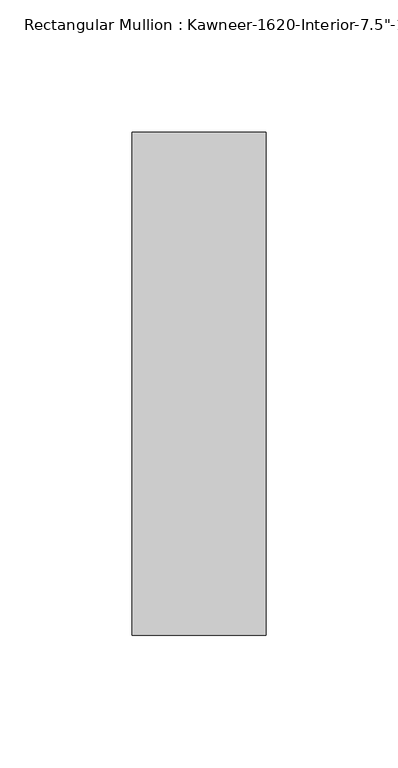
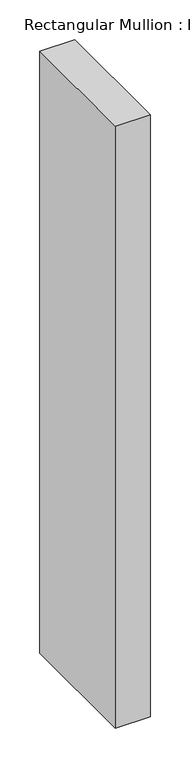
"""IFC4 building model written with IfcOpenShell, lengths in millimetres: member geometry."""

from ifc_helpers import new_model, si_unit, frame, origin, place, context, project, spatial, polyline, outline, extrude, source, transform, mapped, element, save


def member_d9ff0739(model_context):
    return source(origin(), model_context, "Body", "SweptSolid", [
        extrude(outline(polyline([(25.4, -152.4), (-25.4, -152.4), (-25.4, 38.1), (25.4, 38.1), (25.4, -152.4)])), frame((0.0, 0.0, -926.2317631), z_axis=(0.0, 0.0, 1.0), x_axis=(1.0, 0.0, 0.0)), (0.0, 0.0, 1.0), 926.2317631),
    ])


if __name__ == "__main__":
    model = new_model("IFC4")
    model_context = context("Model", 3, world=origin())
    ifc_project = project(units=[si_unit("LENGTHUNIT", "METRE", prefix="MILLI")], contexts=[model_context])
    site = spatial("IfcSite", under=ifc_project)
    building = spatial("IfcBuilding", under=site)
    placement = place(None, origin())
    member_shape = member_d9ff0739(model_context)
    element("IfcMember", 1, ObjectType="Rectangular Mullion : Kawneer-1620-Interior-7.5\"-1\"Infill", at=placement, inside=building, context=model_context, shape_type="MappedRepresentation", body=[
        mapped(member_shape, transform((0.0, 0.0, 0.0), x_axis=(1.0, 0.0, 0.0), y_axis=(0.0, 1.0, 0.0), z_axis=(0.0, 0.0, 1.0))),
    ])
    save(model, "model.ifc")
